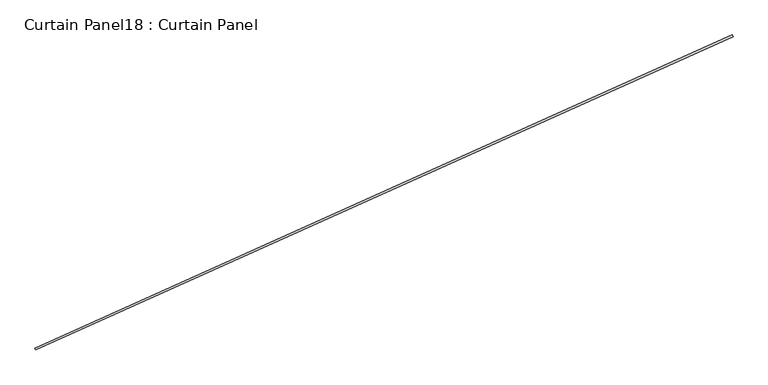
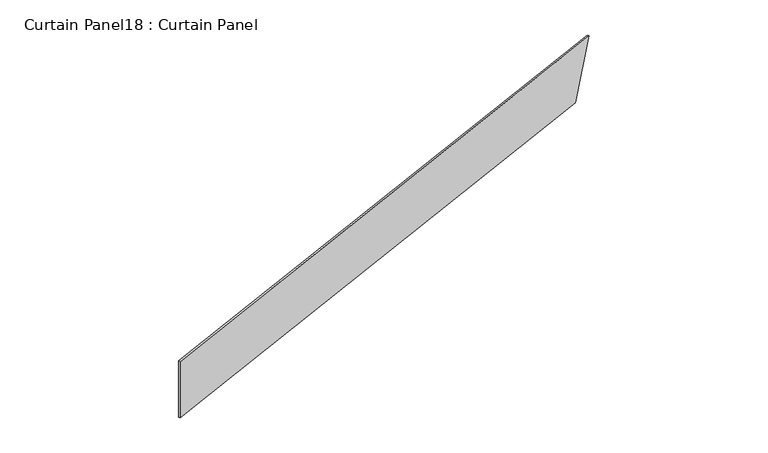
"""IFC4 building model written with IfcOpenShell, lengths in millimetres: plate geometry, Curtain Panel18 : Curtain Panel."""

from ifc_helpers import new_model, si_unit, frame, origin, place, context, project, spatial, polyline, outline, extrude, source, transform, mapped, element, save


def curtain_panel18_curtain_panel_27faa52f(model_context):
    return source(origin(), model_context, "Body", "SweptSolid", [
        extrude(outline(polyline([(0.0, 0.0), (0.0, -9012.2786052), (-914.4, -9320.9562098), (-914.4, 0.0), (0.0, 0.0)])), frame((36557.5770857, -12836.3437505, 24688.8), z_axis=(-0.41023197127835825, 0.9119812112873117, 0.0), x_axis=(0.0, 0.0, -1.0)), (0.0, 0.0, 1.0), 25.4),
    ])


if __name__ == "__main__":
    model = new_model("IFC4")
    model_context = context("Model", 3, world=origin())
    ifc_project = project(units=[si_unit("LENGTHUNIT", "METRE", prefix="MILLI")], contexts=[model_context])
    site = spatial("IfcSite", under=ifc_project)
    building = spatial("IfcBuilding", under=site)
    placement = place(None, origin())
    curtain_panel18_curtain_panel_shape = curtain_panel18_curtain_panel_27faa52f(model_context)
    element("IfcPlate", 1, ObjectType="Curtain Panel18 : Curtain Panel", at=placement, inside=building, context=model_context, shape_type="MappedRepresentation", body=[
        mapped(curtain_panel18_curtain_panel_shape, transform((0.0, 0.0, 0.0), x_axis=(1.0, 0.0, 0.0), y_axis=(0.0, 1.0, 0.0), z_axis=(0.0, 0.0, 1.0))),
    ])
    save(model, "model.ifc")
